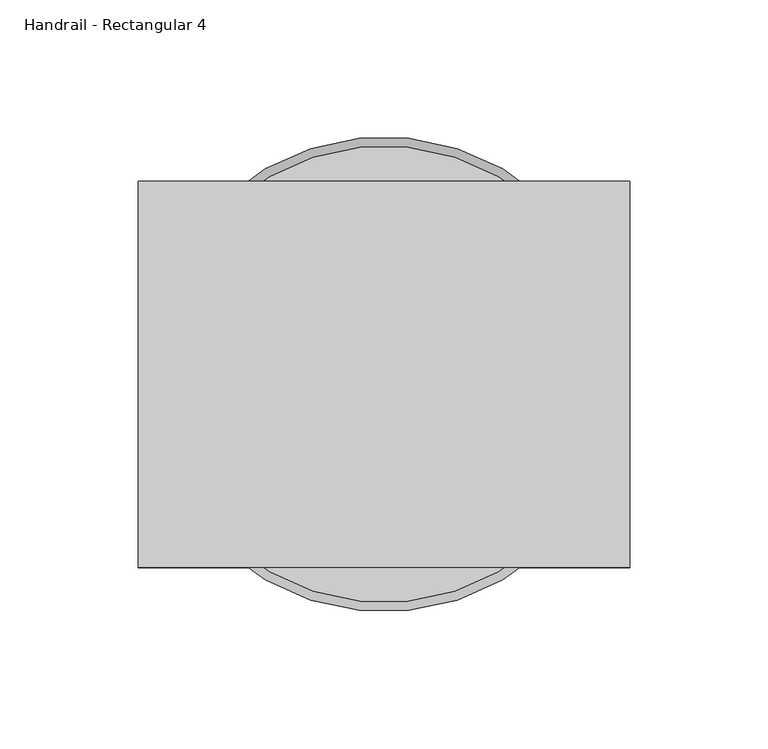
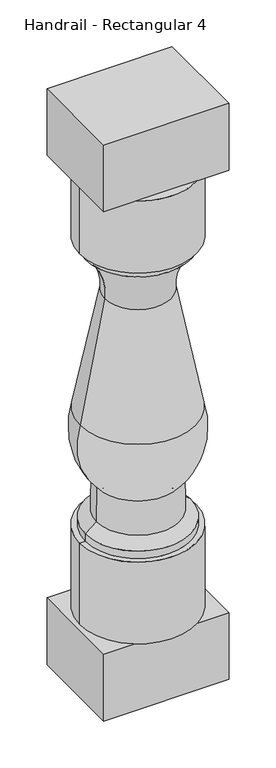
"""IFC4 building model written with IfcOpenShell, lengths in millimetres: railing geometry, Handrail - Rectangular 4."""

import ifcopenshell
import ifcopenshell.guid

model = None  # the IFC model being written
_history = None  # IfcOwnerHistory: only IFC2X3 demands one
_inside = {}  # id of a spatial element -> (the spatial element, [elements in it])
_under = {}  # id of a project, library or spatial element -> (it, [spatial elements below it])
_declared = {}  # id of a project -> (the project, [libraries it declares])
_typed = {}  # id of a type object -> (the type object, [elements of that type])
_made_of = {}  # id of a material, layer set ... -> (it, [elements and type objects made of it])


def new_model(schema):
    """Start an empty IFC model of exactly this schema.

    Asked for "IFC4X3", IfcOpenShell would pick the latest addendum, in which some entities
    have other attributes; the version numbers below select the first issue.
    IFC2X3 requires an IfcOwnerHistory on every rooted entity: one is made here for all.
    """
    global model, _history
    if schema == "IFC4X3":
        model = ifcopenshell.file(schema_version=(4, 3, 0, 0))
    else:
        model = ifcopenshell.file(schema=schema)
    _inside.clear()
    _under.clear()
    _declared.clear()
    _typed.clear()
    _made_of.clear()
    _history = None
    if model.schema == "IFC2X3":
        org = make("IfcOrganization", Name="unknown")
        user = make(
            "IfcPersonAndOrganization",
            ThePerson=make("IfcPerson", FamilyName="unknown"),
            TheOrganization=org,
        )
        app = make(
            "IfcApplication",
            ApplicationDeveloper=org,
            Version="unknown",
            ApplicationFullName="unknown",
            ApplicationIdentifier="unknown",
        )
        _history = make(
            "IfcOwnerHistory",
            OwningUser=user,
            OwningApplication=app,
            ChangeAction="ADDED",
            CreationDate=0,
        )
    return model


def make(cls, **values):
    """One entity of the class cls with the attributes given. An attribute that is None is left unset."""
    return model.create_entity(
        cls, **{name: value for name, value in values.items() if value is not None}
    )


def rooted(cls, **values):
    """An entity with a GlobalId (a new one), such as an element, a storey or a relation."""
    return make(cls, GlobalId=ifcopenshell.guid.new(), OwnerHistory=_history, **values)


def si_unit(unit_type, name, prefix=None):
    """IfcSIUnit, for example si_unit("LENGTHUNIT", "METRE", prefix="MILLI")."""
    return make("IfcSIUnit", UnitType=unit_type, Prefix=prefix, Name=name)


def assignment(units):
    """IfcUnitAssignment: the units of a project."""
    return None if units is None else make("IfcUnitAssignment", Units=units)


def point(xyz):
    """IfcCartesianPoint."""
    return None if xyz is None else make("IfcCartesianPoint", Coordinates=xyz)


def direction(xyz):
    """IfcDirection."""
    return None if xyz is None else make("IfcDirection", DirectionRatios=xyz)


def frame(location, z_axis=None, x_axis=None):
    """IfcAxis2Placement3D, a coordinate frame: its origin and axes. An axis left out is left unset."""
    return make(
        "IfcAxis2Placement3D",
        Location=point(location),
        Axis=direction(z_axis),
        RefDirection=direction(x_axis),
    )


def origin():
    """The frame at (0, 0, 0) with its axes left unset."""
    return frame((0.0, 0.0, 0.0))


def place(relative_to, where):
    """IfcLocalPlacement: puts the frame where relative to a parent placement (None: the world)."""
    return make(
        "IfcLocalPlacement", PlacementRelTo=relative_to, RelativePlacement=where
    )


def context(
    kind, dimensions, precision=None, world=None, true_north=None, identifier=None
):
    """IfcGeometricRepresentationContext, for example the 3D "Model" context."""
    return make(
        "IfcGeometricRepresentationContext",
        ContextIdentifier=identifier,
        ContextType=kind,
        CoordinateSpaceDimension=dimensions,
        Precision=precision,
        WorldCoordinateSystem=world,
        TrueNorth=true_north,
    )


def project(units=None, contexts=None):
    """IfcProject with its units and contexts."""
    return rooted(
        "IfcProject",
        Name="project",
        RepresentationContexts=contexts,
        UnitsInContext=assignment(units),
    )


def spatial(cls, under=None, at=None, **own):
    """A site, building, storey or space (cls), placed at a placement, below another one or the project."""
    s = rooted(cls, ObjectPlacement=at, **own)
    if under is not None:
        _under.setdefault(under.id(), (under, []))[1].append(s)
    return s


def polyline(points):
    """IfcPolyline through the points."""
    return make("IfcPolyline", Points=[point(p) for p in points])


def circle_curve(where, radius):
    """IfcCircle in the frame where."""
    return make("IfcCircle", Position=where, Radius=radius)


def ellipse_curve(where, semi_axis1, semi_axis2):
    """IfcEllipse in the frame where."""
    return make(
        "IfcEllipse", Position=where, SemiAxis1=semi_axis1, SemiAxis2=semi_axis2
    )


def trimmed(basis, trim1, trim2, sense, master):
    """IfcTrimmedCurve: the piece of a basis curve between two trims."""
    return make(
        "IfcTrimmedCurve",
        BasisCurve=basis,
        Trim1=trim1,
        Trim2=trim2,
        SenseAgreement=sense,
        MasterRepresentation=master,
    )


def outline(outer, holes=None, kind="AREA"):
    """IfcArbitraryClosedProfileDef: a profile drawn as a closed curve; with holes, ...WithVoids."""
    if holes is None:
        return make("IfcArbitraryClosedProfileDef", ProfileType=kind, OuterCurve=outer)
    return make(
        "IfcArbitraryProfileDefWithVoids",
        ProfileType=kind,
        OuterCurve=outer,
        InnerCurves=holes,
    )


def extrude(swept, where, along, depth):
    """IfcExtrudedAreaSolid: the profile swept, set in the frame where, extruded along a direction by depth."""
    return make(
        "IfcExtrudedAreaSolid",
        SweptArea=swept,
        Position=where,
        ExtrudedDirection=direction(along),
        Depth=depth,
    )


def shape(context_of_items, identifier, shape_type, items):
    """IfcShapeRepresentation: the items that make up one representation, for example the "Body"."""
    return make(
        "IfcShapeRepresentation",
        ContextOfItems=context_of_items,
        RepresentationIdentifier=identifier,
        RepresentationType=shape_type,
        Items=items,
    )


def source(mapping_origin, context_of_items, identifier, shape_type, items):
    """IfcRepresentationMap: a shape defined once, which mapped items show again and again."""
    return make(
        "IfcRepresentationMap",
        MappingOrigin=mapping_origin,
        MappedRepresentation=shape(context_of_items, identifier, shape_type, items),
    )


def transform(
    local_origin,
    x_axis=None,
    y_axis=None,
    z_axis=None,
    scale=None,
    scale2=None,
    scale3=None,
    uniform=True,
):
    """IfcCartesianTransformationOperator3D, or its non-uniform kind. x_axis, y_axis, z_axis: its Axis1, 2, 3."""
    if uniform:
        return make(
            "IfcCartesianTransformationOperator3D",
            Axis1=direction(x_axis),
            Axis2=direction(y_axis),
            LocalOrigin=point(local_origin),
            Scale=scale,
            Axis3=direction(z_axis),
        )
    return make(
        "IfcCartesianTransformationOperator3DnonUniform",
        Axis1=direction(x_axis),
        Axis2=direction(y_axis),
        LocalOrigin=point(local_origin),
        Scale=scale,
        Axis3=direction(z_axis),
        Scale2=scale2,
        Scale3=scale3,
    )


def mapped(mapping_source, mapping_target):
    """IfcMappedItem: shows the shape of a source again, moved by a transform."""
    return make(
        "IfcMappedItem", MappingSource=mapping_source, MappingTarget=mapping_target
    )


def made_of(thing, what):
    """Note that an element or type object is made of a material, layer set ...; save() writes the relation."""
    if what is not None:
        _made_of.setdefault(what.id(), (what, []))[1].append(thing)
    return thing


def element(
    cls,
    number,
    at=None,
    inside=None,
    cuts=None,
    type_object=None,
    material=None,
    context=None,
    identifier="Body",
    shape_type=None,
    held_by="IfcProductDefinitionShape",
    body=None,
    shapes=None,
    **own,
):
    """One element of the class cls, such as IfcWall. Its Tag is "e" and its number.

    at: its placement. inside: the storey or other place that contains it. cuts: it is an
    opening in that element (IfcRelVoidsElement). A single representation is given by context,
    identifier, shape_type and body (its items); several are given by shapes. held_by: the class
    of the entity that holds the representations. save() writes the other relations.
    """
    e = rooted(cls, Tag="e%d" % number, ObjectPlacement=at, **own)
    if body is not None:
        shapes = [shape(context, identifier, shape_type, body)]
    if shapes is not None:
        e.Representation = make(held_by, Representations=shapes)
    if inside is not None:
        _inside.setdefault(inside.id(), (inside, []))[1].append(e)
    if cuts is not None:
        rooted(
            "IfcRelVoidsElement", RelatingBuildingElement=cuts, RelatedOpeningElement=e
        )
    if type_object is not None:
        _typed.setdefault(type_object.id(), (type_object, []))[1].append(e)
    return made_of(e, material)


def aggregate(whole, parts):
    """IfcRelAggregates: a whole, such as a stair, and the parts it consists of."""
    return rooted("IfcRelAggregates", RelatingObject=whole, RelatedObjects=parts)


def save(model, path):
    """Write the relations noted so far, then the file.

    IfcRelAggregates (storeys below a building ...), IfcRelContainedInSpatialStructure (elements
    in a storey), IfcRelDefinesByType, IfcRelAssociatesMaterial and IfcRelDeclares: one each for
    every whole, place, type object, material and project.
    """
    for whole, parts in _under.values():
        aggregate(whole, parts)
    for where, things in _inside.values():
        rooted(
            "IfcRelContainedInSpatialStructure",
            RelatedElements=things,
            RelatingStructure=where,
        )
    for kind, things in _typed.values():
        rooted("IfcRelDefinesByType", RelatedObjects=things, RelatingType=kind)
    for what, things in _made_of.values():
        rooted("IfcRelAssociatesMaterial", RelatedObjects=things, RelatingMaterial=what)
    for by, libraries in _declared.values():
        rooted("IfcRelDeclares", RelatingContext=by, RelatedDefinitions=libraries)
    model.write(path)


def plane_surface(at):
    """IfcPlane: the flat surface through the origin of the frame at, square to its z axis."""
    return make("IfcPlane", Position=at)


def cylinder_surface(at, radius):
    """IfcCylindricalSurface: all points at the distance radius from the z axis of the frame at."""
    return make("IfcCylindricalSurface", Position=at, Radius=radius)


def revolved_surface(curve, axis_point, axis_direction):
    """IfcSurfaceOfRevolution: the curve turned about the line through axis_point along axis_direction."""
    return make(
        "IfcSurfaceOfRevolution",
        SweptCurve=make("IfcArbitraryOpenProfileDef", ProfileType="CURVE", Curve=curve),
        AxisPosition=make("IfcAxis1Placement", Location=point(axis_point), Axis=direction(axis_direction)),
    )


def advanced_brep(points, edges, surfaces, faces):
    """IfcAdvancedBrep: a solid bounded by faces that lie on surfaces and meet in shared edges.

    An edge is (start, end): straight between two places in points (the first is 0);
    or (start, end, curve); or (start, end, curve, False) where it runs against its curve.
    A face is (place in surfaces, loops), or (place, loops, False) where it looks against
    its surface's normal. A loop lists edges by number (the first is 1), with a minus sign
    where the edge is run from its end to its start. The first loop is the outer one.
    """
    corners = [point(p) for p in points]
    vertices = [make("IfcVertexPoint", VertexGeometry=c) for c in corners]
    made = []
    for start, end, *more in edges:
        made.append(
            make(
                "IfcEdgeCurve",
                EdgeStart=vertices[start],
                EdgeEnd=vertices[end],
                EdgeGeometry=more[0] if more else make("IfcPolyline", Points=[corners[start], corners[end]]),
                SameSense=more[1] if len(more) > 1 else True,
            )
        )
    hull = []
    for where, loops, *sense in faces:
        bounds = []
        for j, loop in enumerate(loops):
            ring = [make("IfcOrientedEdge", EdgeElement=made[abs(k) - 1], Orientation=k > 0) for k in loop]
            bounds.append(
                make(
                    "IfcFaceOuterBound" if j == 0 else "IfcFaceBound",
                    Bound=make("IfcEdgeLoop", EdgeList=ring),
                    Orientation=True,
                )
            )
        hull.append(make("IfcAdvancedFace", Bounds=bounds, FaceSurface=surfaces[where], SameSense=sense[0] if sense else True))
    return make("IfcAdvancedBrep", Outer=make("IfcClosedShell", CfsFaces=hull))


def handrail_rectangular_4_6924a8d9(model_context):
    return source(origin(), model_context, "Body", "SolidModel", [
        advanced_brep(
        [(9543.4066037, 2142.9239298, 874.7125), (9708.5066037, 2142.9239298, 874.7125), (9625.9566037, 2142.9239298, 874.7125), (9543.4066037, 2142.9239298, 766.7625), (9708.5066037, 2142.9239298, 766.7625), (9551.3441037, 2142.9239298, 766.7625), (9700.5691037, 2142.9239298, 766.7625), (9551.3441037, 2142.9239298, 755.65), (9700.5691037, 2142.9239298, 755.65), (9579.1253537, 2142.9239298, 687.3875), (9672.7878537, 2142.9239298, 687.3875), (9544.2003537, 2142.9239298, 509.5875), (9707.7128537, 2142.9239298, 509.5875), (9568.0128537, 2142.9239298, 407.9875), (9683.9003537, 2142.9239298, 407.9875), (9567.2191037, 2142.9239298, 357.1875), (9684.6941037, 2142.9239298, 357.1875), (9551.3441037, 2142.9239298, 344.4875), (9700.5691037, 2142.9239298, 344.4875), (9551.3441037, 2142.9239298, 333.375), (9700.5691037, 2142.9239298, 333.375), (9543.4066037, 2142.9239298, 333.375), (9708.5066037, 2142.9239298, 333.375), (9543.4066037, 2142.9239298, 211.1375), (9708.5066037, 2142.9239298, 211.1375), (9625.9566037, 2142.9239298, 211.1375)],
        [
            (0, 1, circle_curve(frame((9625.9566037, 2142.9239298, 874.7125), z_axis=(0.0, 0.0, 1.0), x_axis=(1.0, 0.0, 0.0)), 82.55)),
            (1, 2),
            (2, 0),
            (1, 0, circle_curve(frame((9625.9566037, 2142.9239298, 874.7125), z_axis=(0.0, 0.0, 1.0), x_axis=(1.0, 0.0, 0.0)), 82.55)),
            (3, 4, circle_curve(frame((9625.9566037, 2142.9239298, 766.7625), z_axis=(0.0, 0.0, 1.0), x_axis=(1.0, 0.0, 0.0)), 82.55)),
            (4, 1),
            (0, 3),
            (4, 3, circle_curve(frame((9625.9566037, 2142.9239298, 766.7625), z_axis=(0.0, 0.0, 1.0), x_axis=(1.0, 0.0, 0.0)), 82.55)),
            (5, 6, circle_curve(frame((9625.9566037, 2142.9239298, 766.7625), z_axis=(0.0, 0.0, 1.0), x_axis=(1.0, 0.0, 0.0)), 74.6125)),
            (6, 4),
            (3, 5),
            (6, 5, circle_curve(frame((9625.9566037, 2142.9239298, 766.7625), z_axis=(0.0, 0.0, 1.0), x_axis=(1.0, 0.0, 0.0)), 74.6125)),
            (7, 8, circle_curve(frame((9625.9566037, 2142.9239298, 755.65), z_axis=(0.0, 0.0, 1.0), x_axis=(1.0, 0.0, 0.0)), 74.6125)),
            (8, 6),
            (5, 7),
            (8, 7, circle_curve(frame((9625.9566037, 2142.9239298, 755.65), z_axis=(0.0, 0.0, 1.0), x_axis=(1.0, 0.0, 0.0)), 74.6125)),
            (9, 10, circle_curve(frame((9625.9566037, 2142.9239298, 687.3875), z_axis=(0.0, 0.0, 1.0), x_axis=(1.0, 0.0, 0.0)), 46.83125)),
            (10, 8, circle_curve(frame((9751.9618383, 2142.9239298, 694.9499409), z_axis=(0.0, 1.0, 0.0), x_axis=(-1.0, 0.0, 0.0)), 79.5343344)),
            (7, 9, circle_curve(frame((9499.9513691, 2142.9239298, 694.9499409), z_axis=(0.0, 1.0, 0.0), x_axis=(1.0, 0.0, 0.0)), 79.5343344)),
            (10, 9, circle_curve(frame((9625.9566037, 2142.9239298, 687.3875), z_axis=(0.0, 0.0, 1.0), x_axis=(1.0, 0.0, 0.0)), 46.83125)),
            (11, 12, circle_curve(frame((9625.9566037, 2142.9239298, 509.5875), z_axis=(0.0, 0.0, 1.0), x_axis=(1.0, 0.0, 0.0)), 81.75625)),
            (12, 10, circle_curve(frame((10587.7463087, 2142.9239298, 774.7813483), z_axis=(0.0, 1.0, 0.0), x_axis=(-1.0, 0.0, 0.0)), 919.122766)),
            (9, 11, circle_curve(frame((8664.1668988, 2142.9239298, 774.7813483), z_axis=(0.0, 1.0, 0.0), x_axis=(1.0, 0.0, 0.0)), 919.122766)),
            (12, 11, circle_curve(frame((9625.9566037, 2142.9239298, 509.5875), z_axis=(0.0, 0.0, 1.0), x_axis=(1.0, 0.0, 0.0)), 81.75625)),
            (13, 14, circle_curve(frame((9625.9566037, 2142.9239298, 407.9875), z_axis=(0.0, 0.0, 1.0), x_axis=(1.0, 0.0, 0.0)), 57.94375)),
            (14, 12, circle_curve(frame((9607.6783051, 2142.9239298, 479.44257), z_axis=(0.0, -1.0, 0.0), x_axis=(-1.0, 0.0, 0.0)), 104.4778815)),
            (11, 13, circle_curve(frame((9644.2349023, 2142.9239298, 479.44257), z_axis=(0.0, -1.0, 0.0), x_axis=(1.0, 0.0, 0.0)), 104.4778815)),
            (14, 13, circle_curve(frame((9625.9566037, 2142.9239298, 407.9875), z_axis=(0.0, 0.0, 1.0), x_axis=(1.0, 0.0, 0.0)), 57.94375)),
            (15, 16, circle_curve(frame((9625.9566037, 2142.9239298, 357.1875), z_axis=(0.0, 0.0, 1.0), x_axis=(1.0, 0.0, 0.0)), 58.7375)),
            (16, 14),
            (13, 15),
            (16, 15, circle_curve(frame((9625.9566037, 2142.9239298, 357.1875), z_axis=(0.0, 0.0, 1.0), x_axis=(1.0, 0.0, 0.0)), 58.7375)),
            (17, 18, circle_curve(frame((9625.9566037, 2142.9239298, 344.4875), z_axis=(0.0, 0.0, 1.0), x_axis=(1.0, 0.0, 0.0)), 74.6125)),
            (18, 16),
            (15, 17),
            (18, 17, circle_curve(frame((9625.9566037, 2142.9239298, 344.4875), z_axis=(0.0, 0.0, 1.0), x_axis=(1.0, 0.0, 0.0)), 74.6125)),
            (19, 20, circle_curve(frame((9625.9566037, 2142.9239298, 333.375), z_axis=(0.0, 0.0, 1.0), x_axis=(1.0, 0.0, 0.0)), 74.6125)),
            (20, 18),
            (17, 19),
            (20, 19, circle_curve(frame((9625.9566037, 2142.9239298, 333.375), z_axis=(0.0, 0.0, 1.0), x_axis=(1.0, 0.0, 0.0)), 74.6125)),
            (21, 22, circle_curve(frame((9625.9566037, 2142.9239298, 333.375), z_axis=(0.0, 0.0, 1.0), x_axis=(1.0, 0.0, 0.0)), 82.55)),
            (22, 20),
            (19, 21),
            (22, 21, circle_curve(frame((9625.9566037, 2142.9239298, 333.375), z_axis=(0.0, 0.0, 1.0), x_axis=(1.0, 0.0, 0.0)), 82.55)),
            (23, 24, circle_curve(frame((9625.9566037, 2142.9239298, 211.1375), z_axis=(0.0, 0.0, 1.0), x_axis=(1.0, 0.0, 0.0)), 82.55)),
            (24, 22),
            (21, 23),
            (24, 23, circle_curve(frame((9625.9566037, 2142.9239298, 211.1375), z_axis=(0.0, 0.0, 1.0), x_axis=(1.0, 0.0, 0.0)), 82.55)),
            (25, 24),
            (23, 25),
        ],
        [
            plane_surface(frame((9625.9566037, 2142.9239298, 874.7125), z_axis=(0.0, 0.0, 1.0), x_axis=(1.0, 0.0, 0.0))),
            cylinder_surface(frame((9625.9566037, 2142.9239298, 839.7875), z_axis=(0.0, 0.0, -1.0), x_axis=(1.0, 0.0, 0.0)), 82.55),
            plane_surface(frame((9625.9566037, 2142.9239298, 766.7625), z_axis=(0.0, 0.0, -1.0), x_axis=(1.0, 0.0, 0.0))),
            cylinder_surface(frame((9625.9566037, 2142.9239298, 839.7875), z_axis=(0.0, 0.0, -1.0), x_axis=(1.0, 0.0, 0.0)), 74.6125),
            revolved_surface(trimmed(ellipse_curve(frame((9751.9618383, 2142.9239298, 694.9499409), z_axis=(0.0, -1.0, 0.0), x_axis=(-1.0, 0.0, 0.0)), 79.5343344, 79.5343344), [point((9700.5691037, 2142.9239298, 755.65))], [point((9672.7878537, 2142.9239298, 687.3875))], True, "CARTESIAN"), (9625.9566037, 2142.9239298, 839.7875), (0.0, 0.0, -1.0)),
            revolved_surface(trimmed(ellipse_curve(frame((10587.7463087, 2142.9239298, 774.7813483), z_axis=(0.0, -1.0, 0.0), x_axis=(-1.0, 0.0, 0.0)), 919.122766, 919.122766), [point((9672.7878537, 2142.9239298, 687.3875))], [point((9707.7128537, 2142.9239298, 509.5875))], True, "CARTESIAN"), (9625.9566037, 2142.9239298, 839.7875), (0.0, 0.0, -1.0)),
            revolved_surface(trimmed(ellipse_curve(frame((9607.6783051, 2142.9239298, 479.44257), z_axis=(0.0, 1.0, 0.0), x_axis=(-1.0, 0.0, 0.0)), 104.4778815, 104.4778815), [point((9707.7128537, 2142.9239298, 509.5875))], [point((9683.9003537, 2142.9239298, 407.9875))], True, "CARTESIAN"), (9625.9566037, 2142.9239298, 839.7875), (0.0, 0.0, -1.0)),
            revolved_surface(polyline([(9683.9003537, 2142.9239298, 407.9875), (9684.6941037, 2142.9239298, 357.1875)]), (9625.9566037, 2142.9239298, 839.7875), (0.0, 0.0, -1.0)),
            revolved_surface(polyline([(9684.6941037, 2142.9239298, 357.1875), (9700.5691037, 2142.9239298, 344.4875)]), (9625.9566037, 2142.9239298, 839.7875), (0.0, 0.0, -1.0)),
            plane_surface(frame((9625.9566037, 2142.9239298, 333.375), z_axis=(0.0, 0.0, 1.0), x_axis=(1.0, 0.0, 0.0))),
            plane_surface(frame((9625.9566037, 2142.9239298, 211.1375), z_axis=(0.0, 0.0, -1.0), x_axis=(1.0, 0.0, 0.0))),
        ],
        [
            (0, [[1, 2, 3]]),
            (0, [[4, -3, -2]]),
            (1, [[5, 6, -1, 7]]),
            (1, [[8, -7, -4, -6]]),
            (2, [[9, 10, -5, 11]]),
            (2, [[12, -11, -8, -10]]),
            (3, [[13, 14, -9, 15]]),
            (3, [[16, -15, -12, -14]]),
            (4, [[17, 18, -13, 19]]),
            (4, [[20, -19, -16, -18]]),
            (5, [[21, 22, -17, 23]]),
            (5, [[24, -23, -20, -22]]),
            (6, [[25, 26, -21, 27]]),
            (6, [[28, -27, -24, -26]]),
            (7, [[29, 30, -25, 31]]),
            (7, [[32, -31, -28, -30]]),
            (8, [[33, 34, -29, 35]]),
            (8, [[36, -35, -32, -34]]),
            (3, [[37, 38, -33, 39]]),
            (3, [[40, -39, -36, -38]]),
            (9, [[41, 42, -37, 43]]),
            (9, [[44, -43, -40, -42]]),
            (1, [[45, 46, -41, 47]]),
            (1, [[48, -47, -44, -46]]),
            (10, [[49, -45, 50]]),
            (10, [[-50, -48, -49]]),
        ],
    ),
        extrude(outline(polyline([(9537.0566037, 2073.0739298), (9537.0566037, 2212.7739298), (9714.8566037, 2212.7739298), (9714.8566037, 2073.0739298), (9537.0566037, 2073.0739298)])), frame((0.0, 0.0, 111.125), z_axis=(0.0, 0.0, 1.0), x_axis=(1.0, 0.0, 0.0)), (0.0, 0.0, 1.0), 100.0125),
        extrude(outline(polyline([(9537.0566037, 2212.7739298), (9714.8566037, 2212.7739298), (9714.8566037, 2073.0739298), (9537.0566037, 2073.0739298), (9537.0566037, 2212.7739298)])), frame((0.0, 0.0, 874.7125), z_axis=(0.0, 0.0, 1.0), x_axis=(1.0, 0.0, 0.0)), (0.0, 0.0, 1.0), 100.0125),
    ])


if __name__ == "__main__":
    model = new_model("IFC4")
    model_context = context("Model", 3, world=origin())
    ifc_project = project(units=[si_unit("LENGTHUNIT", "METRE", prefix="MILLI")], contexts=[model_context])
    site = spatial("IfcSite", under=ifc_project)
    building = spatial("IfcBuilding", under=site)
    placement = place(None, origin())
    handrail_rectangular_4_shape = handrail_rectangular_4_6924a8d9(model_context)
    element("IfcRailing", 1, ObjectType="Handrail - Rectangular 4", at=placement, inside=building, context=model_context, shape_type="MappedRepresentation", body=[
        mapped(handrail_rectangular_4_shape, transform((0.0, 0.0, 0.0), x_axis=(1.0, 0.0, 0.0), y_axis=(0.0, 1.0, 0.0), z_axis=(0.0, 0.0, 1.0))),
    ])
    save(model, "model.ifc")
